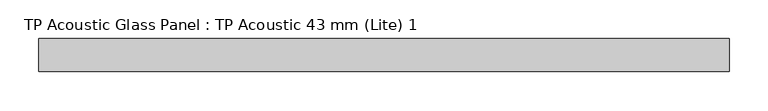
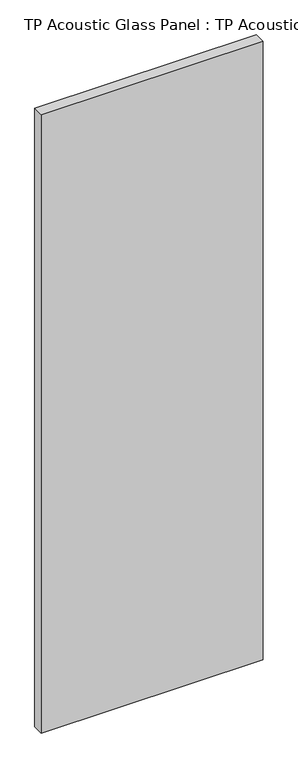
"""IFC4 building model written with IfcOpenShell, lengths in millimetres: plate geometry, TP Acoustic Glass Panel : TP Acoustic 43 mm (Lite) 1."""

from ifc_helpers import new_model, si_unit, origin, origin_with_axes, place, context, project, spatial, polyline, outline, extrude, source, transform, mapped, element, save


def tp_acoustic_glass_panel_tp_acoustic_43_mm_lite_1_7b8cc9ff(model_context):
    return source(origin(), model_context, "Body", "SweptSolid", [
        extrude(outline(polyline([(446.25, 21.5), (446.25, -21.5), (-446.25, -21.5), (-446.25, 21.5), (446.25, 21.5)])), origin_with_axes(), (0.0, 0.0, 1.0), 2628.0),
    ])


if __name__ == "__main__":
    model = new_model("IFC4")
    model_context = context("Model", 3, world=origin())
    ifc_project = project(units=[si_unit("LENGTHUNIT", "METRE", prefix="MILLI")], contexts=[model_context])
    site = spatial("IfcSite", under=ifc_project)
    building = spatial("IfcBuilding", under=site)
    placement = place(None, origin())
    tp_acoustic_glass_panel_tp_acoustic_43_mm_lite_1_shape = tp_acoustic_glass_panel_tp_acoustic_43_mm_lite_1_7b8cc9ff(model_context)
    element("IfcPlate", 1, ObjectType="TP Acoustic Glass Panel : TP Acoustic 43 mm (Lite) 1", at=placement, inside=building, context=model_context, shape_type="MappedRepresentation", body=[
        mapped(tp_acoustic_glass_panel_tp_acoustic_43_mm_lite_1_shape, transform((0.0, 0.0, 0.0), x_axis=(1.0, 0.0, 0.0), y_axis=(0.0, 1.0, 0.0), z_axis=(0.0, 0.0, 1.0))),
    ])
    save(model, "model.ifc")
